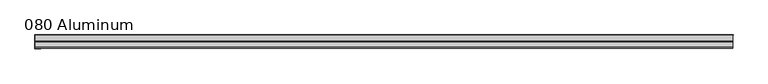
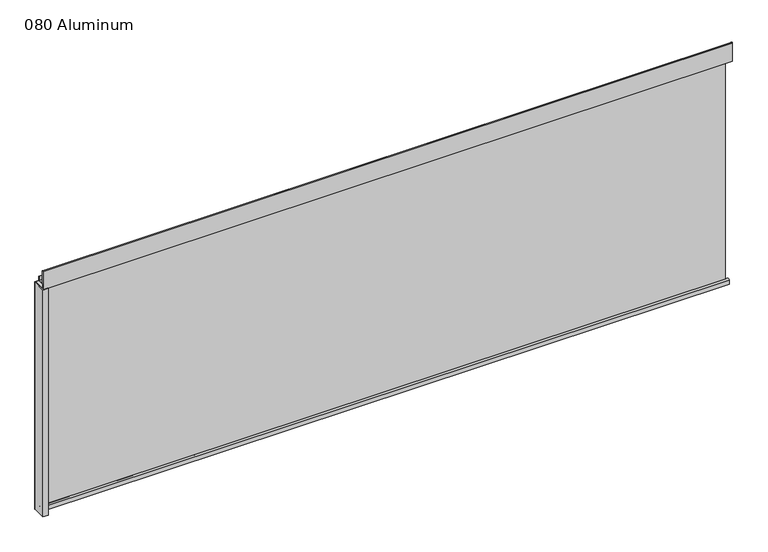
"""IFC4 building model written with IfcOpenShell, lengths in millimetres: plate geometry, 080 Aluminum."""

from ifc_helpers import new_model, si_unit, point, frame, frame_2d, origin, origin_with_axes, place, context, project, spatial, polyline, circle_curve, trimmed, segment, composite_curve, outline, extrude, source, transform, mapped, element, save


def plate_080_aluminum_96947f6b(model_context):
    return source(origin(), model_context, "Body", "SweptSolid", [
        extrude(outline(polyline([(-873.9426921, 2.5660257), (-861.0521916, 2.5660257), (-861.0521916, 1.2699999), (-875.2126921, 1.2699999), (-875.2126921, 34.7980001), (-873.9426921, 34.7980001), (-873.9426921, 2.5660257)])), origin_with_axes(), (0.0, 0.0, 1.0), 608.33),
        extrude(outline(composite_curve([segment(trimmed(circle_curve(frame_2d((19.8514743, 13.124237)), 3.175), [point((16.6765477, 13.1458337))], [point((23.0264743, 13.124237))], False, "CARTESIAN"), True, "CONTINUOUS"), segment(polyline([(23.0264743, 13.124237), (23.0264743, 1.2693678), (34.7980002, 1.2693678), (34.7980002, 0.0), (21.7564743, 0.0), (21.7564743, 13.124237)]), True, "CONTINUOUS"), segment(trimmed(circle_curve(frame_2d((19.8514743, 13.124237)), 1.905), [point((21.7564743, 13.124237))], [point((17.9464915, 13.1323356))], True, "CARTESIAN"), True, "CONTINUOUS"), segment(polyline([(17.9464915, 13.1323356), (17.9464915, 2.786437), (16.6765477, 2.786437), (16.6765477, 13.1458337)]), True, "CONTINUOUS")], self_intersect=False)), frame((-873.9426921, 0.0, 0.0), z_axis=(1.0, 0.0, 0.0), x_axis=(0.0, 1.0, 0.0)), (0.0, 0.0, 1.0), 1747.8853843),
        extrude(outline(composite_curve([segment(trimmed(circle_curve(frame_2d((3.7084742, 656.7932001)), 1.6509999), [point((2.0574743, 656.7932001))], [point((5.3594742, 656.7932001))], False, "CARTESIAN"), True, "CONTINUOUS"), segment(polyline([(5.3594742, 656.7932001), (5.3594742, 623.57), (19.2164743, 623.57), (19.2164743, 633.6538), (20.4864742, 633.6538), (20.4864742, 622.3), (4.0894742, 622.3), (4.0894742, 656.7932001)]), True, "CONTINUOUS"), segment(trimmed(circle_curve(frame_2d((3.7084742, 656.7932001)), 0.3809999), [point((4.0894742, 656.7932001))], [point((3.3274743, 656.7932001))], True, "CARTESIAN"), True, "CONTINUOUS"), segment(polyline([(3.3274743, 656.7932001), (3.3274743, 609.6000001), (34.7980002, 609.6000001), (34.7980002, 608.33), (2.0574743, 608.33), (2.0574743, 656.7932001)]), True, "CONTINUOUS")], self_intersect=False)), frame((-873.9426921, 0.0, 0.0), z_axis=(1.0, 0.0, 0.0), x_axis=(0.0, 1.0, 0.0)), (0.0, 0.0, 1.0), 1747.8853843),
        extrude(outline(polyline([(-875.2126921, 36.068), (875.2126921, 36.068), (875.2126921, 34.7980001), (-875.2126921, 34.7980001), (-875.2126921, 36.068)])), origin_with_axes(), (0.0, 0.0, 1.0), 609.6),
    ])


if __name__ == "__main__":
    model = new_model("IFC4")
    model_context = context("Model", 3, world=origin())
    ifc_project = project(units=[si_unit("LENGTHUNIT", "METRE", prefix="MILLI")], contexts=[model_context])
    site = spatial("IfcSite", under=ifc_project)
    building = spatial("IfcBuilding", under=site)
    placement = place(None, origin())
    plate_080_aluminum_shape = plate_080_aluminum_96947f6b(model_context)
    element("IfcPlate", 1, ObjectType="080 Aluminum", at=placement, inside=building, context=model_context, shape_type="MappedRepresentation", body=[
        mapped(plate_080_aluminum_shape, transform((0.0, 0.0, 0.0), x_axis=(1.0, 0.0, 0.0), y_axis=(0.0, 1.0, 0.0), z_axis=(0.0, 0.0, 1.0))),
    ])
    save(model, "model.ifc")
